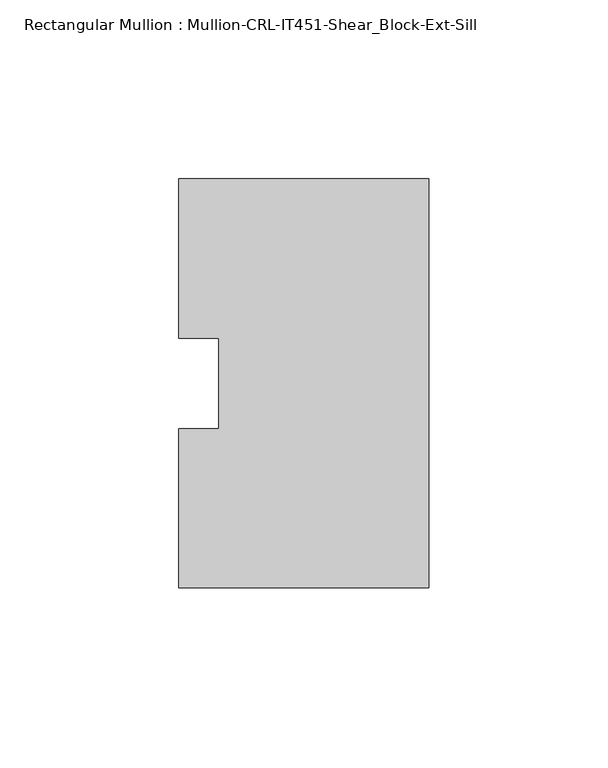
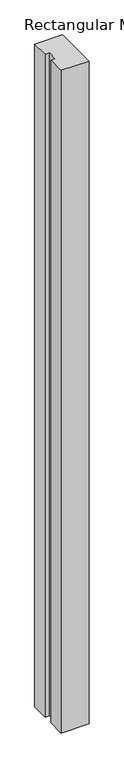
"""IFC4 building model written with IfcOpenShell, lengths in millimetres: member geometry, Rectangular Mullion : Mullion-CRL-IT451-Shear_Block-Ext-Sill."""

from ifc_helpers import new_model, si_unit, frame, origin, place, context, project, spatial, polyline, outline, extrude, source, transform, mapped, element, save


def rectangular_mullion_mullion_crl_it451_shear_block_ext_sill_27a6e5b2(model_context):
    return source(origin(), model_context, "Body", "SweptSolid", [
        extrude(outline(polyline([(0.0, 57.1500171), (0.0, -57.1499829), (-69.85, -57.1499829), (-69.85, -12.7000171), (-58.7375, -12.7000171), (-58.7375, 12.7000171), (-69.85, 12.7000171), (-69.85, 57.1500171), (0.0, 57.1500171)])), frame((0.0, 0.0, -1752.6), z_axis=(0.0, 0.0, 1.0), x_axis=(1.0, 0.0, 0.0)), (0.0, 0.0, 1.0), 1752.6),
    ])


if __name__ == "__main__":
    model = new_model("IFC4")
    model_context = context("Model", 3, world=origin())
    ifc_project = project(units=[si_unit("LENGTHUNIT", "METRE", prefix="MILLI")], contexts=[model_context])
    site = spatial("IfcSite", under=ifc_project)
    building = spatial("IfcBuilding", under=site)
    placement = place(None, origin())
    rectangular_mullion_mullion_crl_it451_shear_block_ext_sill_shape = rectangular_mullion_mullion_crl_it451_shear_block_ext_sill_27a6e5b2(model_context)
    element("IfcMember", 1, ObjectType="Rectangular Mullion : Mullion-CRL-IT451-Shear_Block-Ext-Sill", at=placement, inside=building, context=model_context, shape_type="MappedRepresentation", body=[
        mapped(rectangular_mullion_mullion_crl_it451_shear_block_ext_sill_shape, transform((0.0, 0.0, 0.0), x_axis=(1.0, 0.0, 0.0), y_axis=(0.0, 1.0, 0.0), z_axis=(0.0, 0.0, 1.0))),
    ])
    save(model, "model.ifc")
